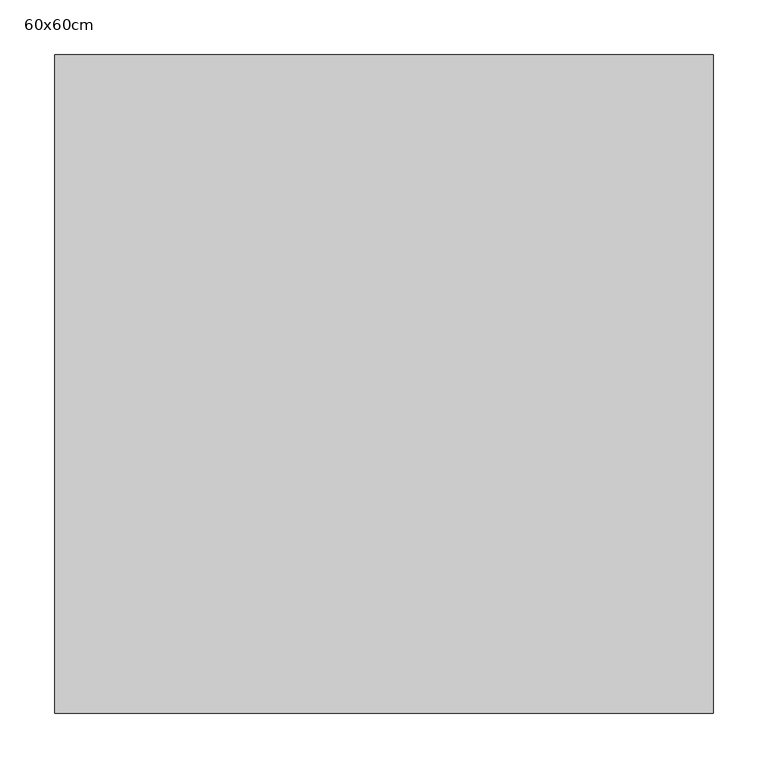
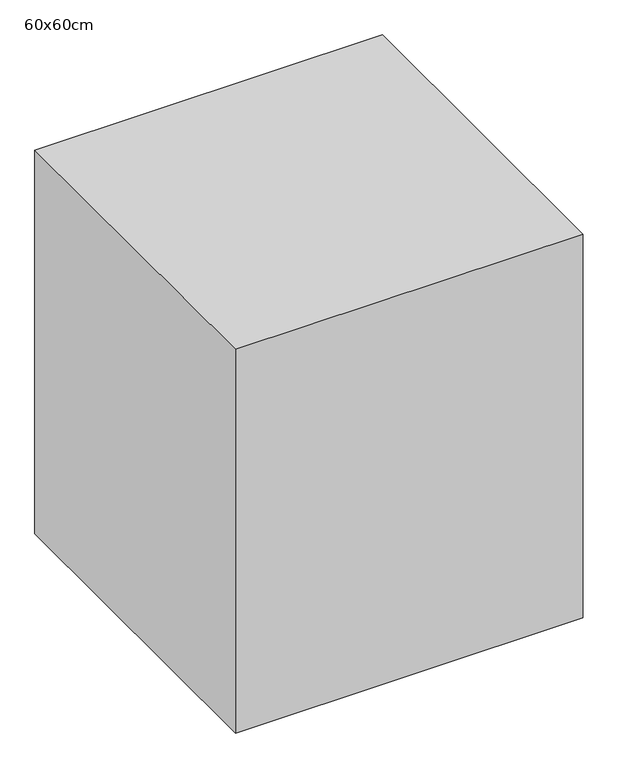
"""IFC4 building model written with IfcOpenShell, lengths in millimetres: proxy geometry, 60x60cm."""

from ifc_helpers import new_model, si_unit, frame, origin, place, context, project, spatial, polyline, outline, extrude, source, transform, mapped, element, save


def proxy_60x60cm_cd1d064c(model_context):
    return source(origin(), model_context, "Body", "SweptSolid", [
        extrude(outline(polyline([(600.0, 600.0), (600.0, 0.0), (0.0, 0.0), (0.0, 600.0), (600.0, 600.0)])), frame((0.0, 0.0, 3000.0), z_axis=(0.0, 0.0, 1.0), x_axis=(1.0, 0.0, 0.0)), (0.0, 0.0, 1.0), 700.0),
    ])


if __name__ == "__main__":
    model = new_model("IFC4")
    model_context = context("Model", 3, world=origin())
    ifc_project = project(units=[si_unit("LENGTHUNIT", "METRE", prefix="MILLI")], contexts=[model_context])
    site = spatial("IfcSite", under=ifc_project)
    building = spatial("IfcBuilding", under=site)
    placement = place(None, origin())
    proxy_60x60cm_shape = proxy_60x60cm_cd1d064c(model_context)
    element("IfcBuildingElementProxy", 1, Name="60x60cm", ObjectType="60x60cm", at=placement, inside=building, context=model_context, shape_type="MappedRepresentation", body=[
        mapped(proxy_60x60cm_shape, transform((0.0, 0.0, 0.0), x_axis=(1.0, 0.0, 0.0), y_axis=(0.0, 1.0, 0.0), z_axis=(0.0, 0.0, 1.0))),
    ])
    save(model, "model.ifc")
